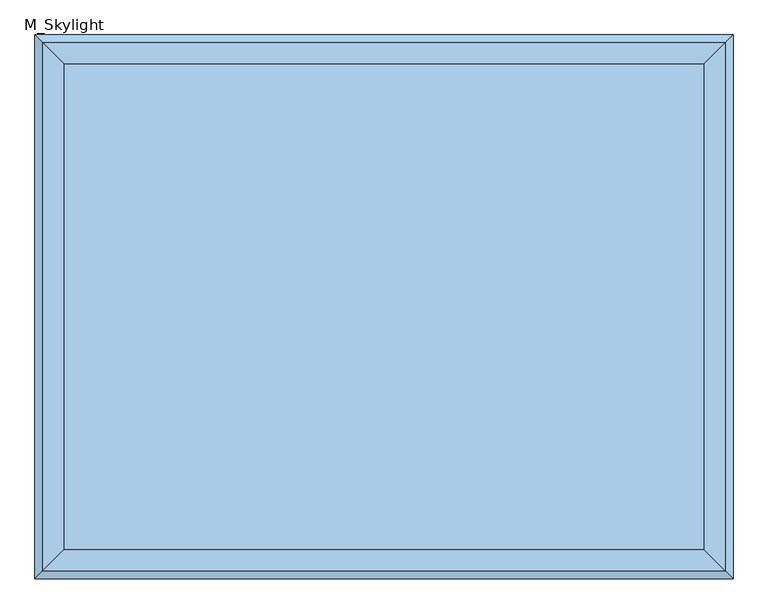
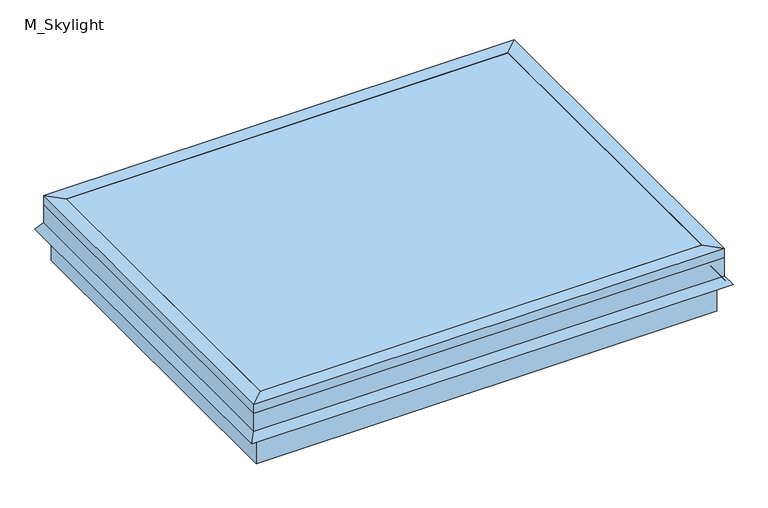
"""IFC4 building model written with IfcOpenShell, lengths in millimetres: window geometry, M_Skylight."""

from ifc_helpers import new_model, si_unit, frame, origin, place, context, project, spatial, polyline, outline, extrude, faceted_brep, source, transform, mapped, element, save


def m_skylight_30089d53(model_context):
    return source(origin(), model_context, "Body", "SolidModel", [
        faceted_brep([(254.440073, 370.1040988, 4105.0), (279.840073, 395.5040988, 4105.0), (279.840073, -541.4959012, 4105.0), (254.440073, -516.0959012, 4105.0), (254.440073, 370.1040988, 4130.4), (254.440073, -516.0959012, 4130.4), (292.540073, 408.2040988, 4130.4), (292.540073, -554.1959012, 4130.4), (292.540073, 408.2040988, 4105.0), (292.540073, -554.1959012, 4105.0), (292.540073, 408.2040988, 4054.2), (292.540073, -554.1959012, 4054.2), (307.1089145, 422.7729403, 4033.3935381), (307.1089145, -568.7647427, 4033.3935381), (301.907299, 417.5713248, 4029.7513277), (301.907299, -563.5631272, 4029.7513277), (286.190073, 401.8540988, 4052.1978527), (286.190073, -547.8459012, 4052.1978527), (286.190073, 401.8540988, 4105.0), (286.190073, -547.8459012, 4105.0), (-937.159927, -541.4959012, 4105.0), (-911.759927, -516.0959012, 4105.0), (-911.759927, -516.0959012, 4130.4), (-949.859927, -554.1959012, 4130.4), (-949.859927, -554.1959012, 4105.0), (-949.859927, -554.1959012, 4054.2), (-964.4287685, -568.7647427, 4033.3935381), (-959.227153, -563.5631272, 4029.7513277), (-943.509927, -547.8459012, 4052.1978527), (-943.509927, -547.8459012, 4105.0), (-937.159927, 395.5040988, 4105.0), (-911.759927, 370.1040988, 4105.0), (-911.759927, 370.1040988, 4130.4), (-949.859927, 408.2040988, 4130.4), (-949.859927, 408.2040988, 4105.0), (-949.859927, 408.2040988, 4054.2), (-964.4287685, 422.7729403, 4033.3935381), (-959.227153, 417.5713248, 4029.7513277), (-943.509927, 401.8540988, 4052.1978527), (-943.509927, 401.8540988, 4105.0)], [[[0, 1, 2, 3]], [[4, 0, 3, 5]], [[6, 4, 5, 7]], [[8, 6, 7, 9]], [[10, 8, 9, 11]], [[12, 10, 11, 13]], [[14, 12, 13, 15]], [[16, 14, 15, 17]], [[18, 16, 17, 19]], [[1, 18, 19, 2]], [[3, 2, 20, 21]], [[5, 3, 21, 22]], [[7, 5, 22, 23]], [[9, 7, 23, 24]], [[11, 9, 24, 25]], [[13, 11, 25, 26]], [[15, 13, 26, 27]], [[17, 15, 27, 28]], [[19, 17, 28, 29]], [[2, 19, 29, 20]], [[21, 20, 30, 31]], [[22, 21, 31, 32]], [[23, 22, 32, 33]], [[24, 23, 33, 34]], [[25, 24, 34, 35]], [[26, 25, 35, 36]], [[27, 26, 36, 37]], [[28, 27, 37, 38]], [[29, 28, 38, 39]], [[20, 29, 39, 30]], [[31, 30, 1, 0]], [[32, 31, 0, 4]], [[33, 32, 4, 6]], [[34, 33, 6, 8]], [[35, 34, 8, 10]], [[36, 35, 10, 12]], [[37, 36, 12, 14]], [[38, 37, 14, 16]], [[39, 38, 16, 18]], [[30, 39, 18, 1]]]),
        faceted_brep([(279.840073, -541.4959012, 4105.0), (279.840073, -541.4959012, 3952.6), (279.840073, 395.5040988, 3952.6), (279.840073, 395.5040988, 4105.0), (254.440073, -516.0959012, 4105.0), (254.440073, 370.1040988, 4105.0), (254.440073, -516.0959012, 4079.6), (254.440073, 370.1040988, 4079.6), (235.390073, -497.0459012, 4079.6), (235.390073, 351.0540988, 4079.6), (235.390073, -497.0459012, 3952.6), (235.390073, 351.0540988, 3952.6), (-937.159927, 395.5040988, 3952.6), (-937.159927, 395.5040988, 4105.0), (-911.759927, 370.1040988, 4105.0), (-911.759927, 370.1040988, 4079.6), (-892.709927, 351.0540988, 4079.6), (-892.709927, 351.0540988, 3952.6), (-937.159927, -541.4959012, 3952.6), (-937.159927, -541.4959012, 4105.0), (-911.759927, -516.0959012, 4105.0), (-911.759927, -516.0959012, 4079.6), (-892.709927, -497.0459012, 4079.6), (-892.709927, -497.0459012, 3952.6)], [[[0, 1, 2, 3]], [[4, 0, 3, 5]], [[6, 4, 5, 7]], [[8, 6, 7, 9]], [[10, 8, 9, 11]], [[1, 10, 11, 2]], [[3, 2, 12, 13]], [[5, 3, 13, 14]], [[7, 5, 14, 15]], [[9, 7, 15, 16]], [[11, 9, 16, 17]], [[2, 11, 17, 12]], [[13, 12, 18, 19]], [[14, 13, 19, 20]], [[15, 14, 20, 21]], [[16, 15, 21, 22]], [[17, 16, 22, 23]], [[12, 17, 23, 18]], [[19, 18, 1, 0]], [[20, 19, 0, 4]], [[21, 20, 4, 6]], [[22, 21, 6, 8]], [[23, 22, 8, 10]], [[18, 23, 10, 1]]]),
        extrude(outline(polyline([(254.440073, -516.0959012), (-911.759927, -516.0959012), (-911.759927, 370.1040988), (254.440073, 370.1040988), (254.440073, -516.0959012)])), frame((0.0, 0.0, 4124.05), z_axis=(0.0, 0.0, 1.0), x_axis=(1.0, 0.0, 0.0)), (0.0, 0.0, 1.0), 6.35),
    ])


if __name__ == "__main__":
    model = new_model("IFC4")
    model_context = context("Model", 3, world=origin())
    ifc_project = project(units=[si_unit("LENGTHUNIT", "METRE", prefix="MILLI")], contexts=[model_context])
    site = spatial("IfcSite", under=ifc_project)
    building = spatial("IfcBuilding", under=site)
    placement = place(None, origin())
    m_skylight_shape = m_skylight_30089d53(model_context)
    element("IfcWindow", 1, ObjectType="M_Skylight", at=placement, inside=building, context=model_context, shape_type="MappedRepresentation", body=[
        mapped(m_skylight_shape, transform((0.0, 0.0, 0.0), x_axis=(1.0, 0.0, 0.0), y_axis=(0.0, 1.0, 0.0), z_axis=(0.0, 0.0, 1.0))),
    ])
    save(model, "model.ifc")
